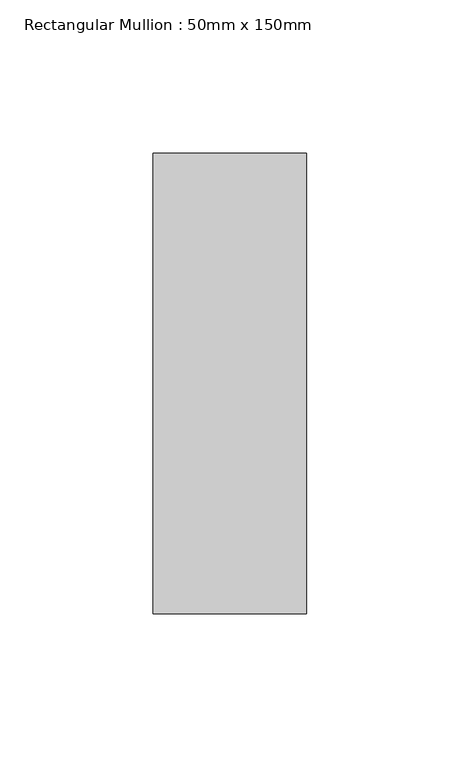
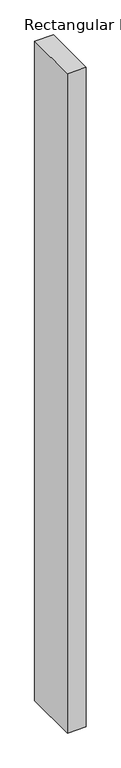
"""IFC4 building model written with IfcOpenShell, lengths in millimetres: member geometry, Rectangular Mullion : 50mm x 150mm."""

from ifc_helpers import new_model, si_unit, frame, origin, place, context, project, spatial, polyline, outline, extrude, source, transform, mapped, element, save


def rectangular_mullion_50mm_x_150mm_25a4d1a1(model_context):
    return source(origin(), model_context, "Body", "SweptSolid", [
        extrude(outline(polyline([(0.0, 75.0), (0.0, -75.0), (-50.0, -75.0), (-50.0, 75.0), (0.0, 75.0)])), frame((0.0, 0.0, -1850.0), z_axis=(0.0, 0.0, 1.0), x_axis=(1.0, 0.0, 0.0)), (0.0, 0.0, 1.0), 1850.0),
    ])


if __name__ == "__main__":
    model = new_model("IFC4")
    model_context = context("Model", 3, world=origin())
    ifc_project = project(units=[si_unit("LENGTHUNIT", "METRE", prefix="MILLI")], contexts=[model_context])
    site = spatial("IfcSite", under=ifc_project)
    building = spatial("IfcBuilding", under=site)
    placement = place(None, origin())
    rectangular_mullion_50mm_x_150mm_shape = rectangular_mullion_50mm_x_150mm_25a4d1a1(model_context)
    element("IfcMember", 1, ObjectType="Rectangular Mullion : 50mm x 150mm", at=placement, inside=building, context=model_context, shape_type="MappedRepresentation", body=[
        mapped(rectangular_mullion_50mm_x_150mm_shape, transform((0.0, 0.0, 0.0), x_axis=(1.0, 0.0, 0.0), y_axis=(0.0, 1.0, 0.0), z_axis=(0.0, 0.0, 1.0))),
    ])
    save(model, "model.ifc")
